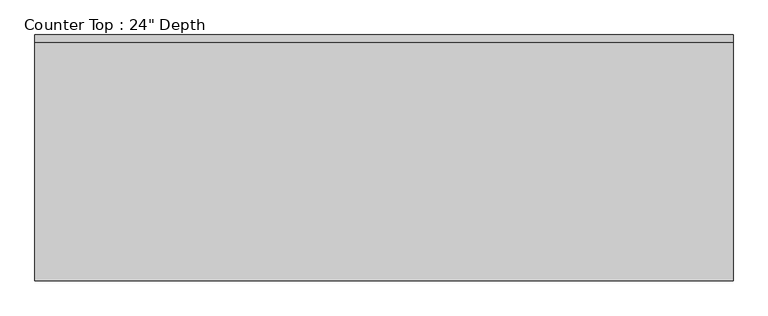
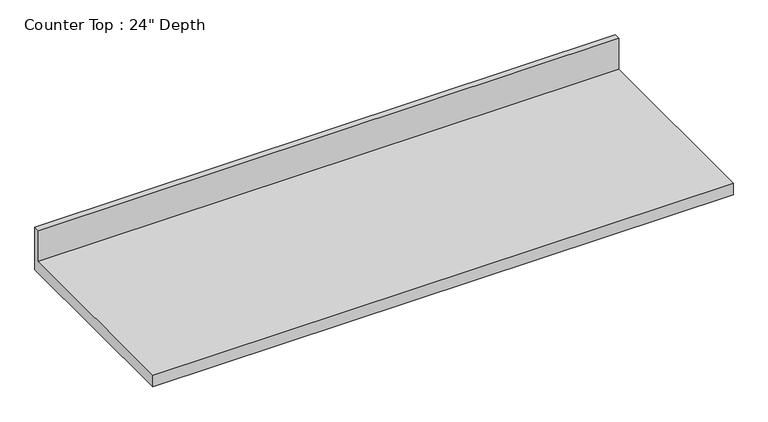
"""IFC4 building model written with IfcOpenShell, lengths in millimetres: furniture geometry."""

from ifc_helpers import new_model, si_unit, frame, origin, place, context, project, spatial, polyline, outline, extrude, source, transform, mapped, element, save


def furniture_1d3e238b(model_context):
    return source(origin(), model_context, "Body", "SweptSolid", [
        extrude(outline(polyline([(0.0, 1016.0), (0.0, 876.3), (-635.0, 876.3), (-635.0, 914.4), (-19.05, 914.4), (-19.05, 1016.0), (0.0, 1016.0)])), frame((-1200.4622951, 0.0, 0.0), z_axis=(1.0, 0.0, 0.0), x_axis=(0.0, 1.0, 0.0)), (0.0, 0.0, 1.0), 1803.4),
    ])


if __name__ == "__main__":
    model = new_model("IFC4")
    model_context = context("Model", 3, world=origin())
    ifc_project = project(units=[si_unit("LENGTHUNIT", "METRE", prefix="MILLI")], contexts=[model_context])
    site = spatial("IfcSite", under=ifc_project)
    building = spatial("IfcBuilding", under=site)
    placement = place(None, origin())
    furniture_shape = furniture_1d3e238b(model_context)
    element("IfcFurniture", 1, ObjectType="Counter Top : 24\" Depth", at=placement, inside=building, context=model_context, shape_type="MappedRepresentation", body=[
        mapped(furniture_shape, transform((0.0, 0.0, 0.0), x_axis=(1.0, 0.0, 0.0), y_axis=(0.0, 1.0, 0.0), z_axis=(0.0, 0.0, 1.0))),
    ])
    save(model, "model.ifc")
